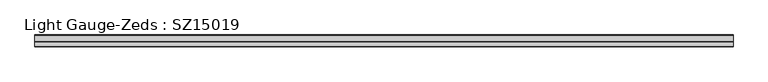
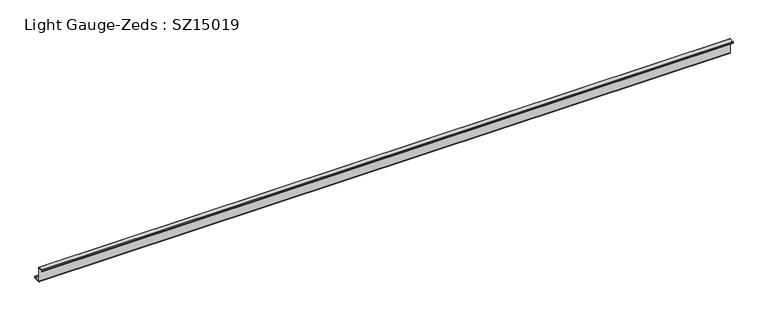
"""IFC4 building model written with IfcOpenShell, lengths in millimetres: beam geometry, Light Gauge-Zeds : SZ15019."""

from ifc_helpers import new_model, si_unit, point, frame, frame_2d, origin, place, context, project, spatial, polyline, circle_curve, trimmed, segment, composite_curve, outline, extrude, source, transform, mapped, element, save


def light_gauge_zeds_sz15019_b4615802(model_context):
    return source(origin(), model_context, "Body", "SweptSolid", [
        extrude(outline(composite_curve([segment(polyline([(0.0, -72.1), (0.0, 72.1)]), True, "CONTINUOUS"), segment(trimmed(circle_curve(frame_2d((-2.0, 72.1)), 2.0), [point((0.0, 72.1))], [point((-2.0, 74.1))], True, "CARTESIAN"), True, "CONTINUOUS"), segment(polyline([(-2.0, 74.1), (-46.6, 74.1)]), True, "CONTINUOUS"), segment(trimmed(circle_curve(frame_2d((-46.6, 72.1)), 2.0), [point((-46.6, 74.1))], [point((-48.6, 72.1))], True, "CARTESIAN"), True, "CONTINUOUS"), segment(polyline([(-48.6, 72.1), (-48.6, 58.0), (-50.5, 58.0), (-50.5, 72.1)]), True, "CONTINUOUS"), segment(trimmed(circle_curve(frame_2d((-46.6, 72.1)), 3.9), [point((-50.5, 72.1))], [point((-46.6, 76.0))], False, "CARTESIAN"), True, "CONTINUOUS"), segment(polyline([(-46.6, 76.0), (-2.0, 76.0)]), True, "CONTINUOUS"), segment(trimmed(circle_curve(frame_2d((-2.0, 72.1)), 3.9), [point((-2.0, 76.0))], [point((1.9, 72.1))], False, "CARTESIAN"), True, "CONTINUOUS"), segment(polyline([(1.9, 72.1), (1.9, -72.1)]), True, "CONTINUOUS"), segment(trimmed(circle_curve(frame_2d((3.9, -72.1)), 2.0), [point((1.9, -72.1))], [point((3.9, -74.1))], True, "CARTESIAN"), True, "CONTINUOUS"), segment(polyline([(3.9, -74.1), (63.6, -74.1)]), True, "CONTINUOUS"), segment(trimmed(circle_curve(frame_2d((63.6, -72.1)), 2.0), [point((63.6, -74.1))], [point((65.6, -72.1))], True, "CARTESIAN"), True, "CONTINUOUS"), segment(polyline([(65.6, -72.1), (65.6, -57.0), (67.5, -57.0), (67.5, -72.1)]), True, "CONTINUOUS"), segment(trimmed(circle_curve(frame_2d((63.6, -72.1)), 3.9), [point((67.5, -72.1))], [point((63.6, -76.0))], False, "CARTESIAN"), True, "CONTINUOUS"), segment(polyline([(63.6, -76.0), (3.9, -76.0)]), True, "CONTINUOUS"), segment(trimmed(circle_curve(frame_2d((3.9, -72.1)), 3.9), [point((3.9, -76.0))], [point((0.0, -72.1))], False, "CARTESIAN"), True, "CONTINUOUS")], self_intersect=False)), frame((-3437.1974798, 0.0, 0.0), z_axis=(1.0, 0.0, 0.0), x_axis=(0.0, 1.0, 0.0)), (0.0, 0.0, 1.0), 6855.6365715),
    ])


if __name__ == "__main__":
    model = new_model("IFC4")
    model_context = context("Model", 3, world=origin())
    ifc_project = project(units=[si_unit("LENGTHUNIT", "METRE", prefix="MILLI")], contexts=[model_context])
    site = spatial("IfcSite", under=ifc_project)
    building = spatial("IfcBuilding", under=site)
    placement = place(None, origin())
    light_gauge_zeds_sz15019_shape = light_gauge_zeds_sz15019_b4615802(model_context)
    element("IfcBeam", 1, ObjectType="Light Gauge-Zeds : SZ15019", at=placement, inside=building, context=model_context, shape_type="MappedRepresentation", body=[
        mapped(light_gauge_zeds_sz15019_shape, transform((0.0, 0.0, 0.0), x_axis=(1.0, 0.0, 0.0), y_axis=(0.0, 1.0, 0.0), z_axis=(0.0, 0.0, 1.0))),
    ])
    save(model, "model.ifc")
